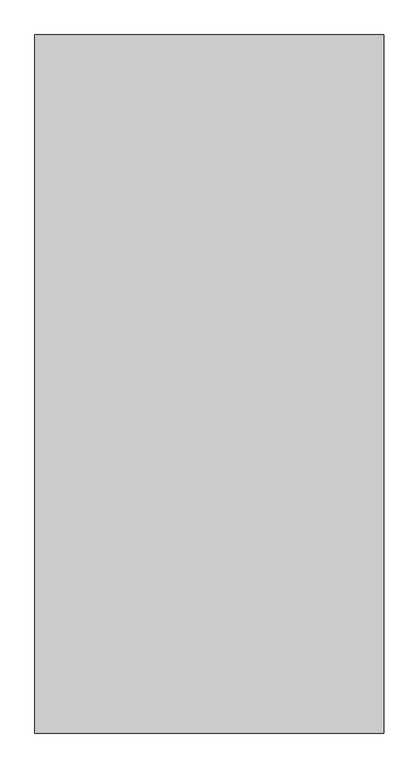
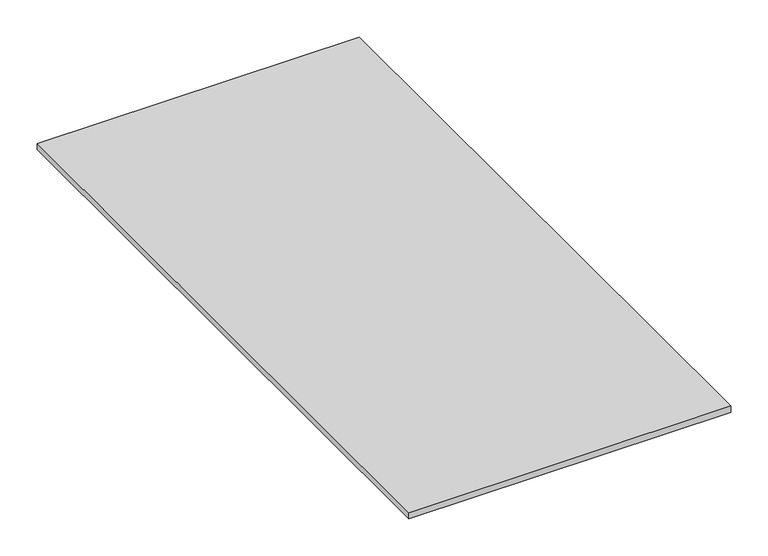
"""IFC4 building model written with IfcOpenShell, lengths in millimetres: proxy geometry."""

from ifc_helpers import new_model, si_unit, origin, origin_with_axes, place, context, project, spatial, polyline, outline, extrude, source, transform, mapped, element, save


def generic_models_36ebd737(model_context):
    return source(origin(), model_context, "Body", "SweptSolid", [
        extrude(outline(polyline([(-16829.2833082, 6947.1625159), (-16829.2833082, 5947.1625159), (-17329.2833082, 5947.1625159), (-17329.2833082, 6947.1625159), (-16829.2833082, 6947.1625159)])), origin_with_axes(), (0.0, 0.0, 1.0), 10.0),
    ])


if __name__ == "__main__":
    model = new_model("IFC4")
    model_context = context("Model", 3, world=origin())
    ifc_project = project(units=[si_unit("LENGTHUNIT", "METRE", prefix="MILLI")], contexts=[model_context])
    site = spatial("IfcSite", under=ifc_project)
    building = spatial("IfcBuilding", under=site)
    placement = place(None, origin())
    generic_models_shape = generic_models_36ebd737(model_context)
    element("IfcBuildingElementProxy", 1, Name="Generic Models", at=placement, inside=building, context=model_context, shape_type="MappedRepresentation", body=[
        mapped(generic_models_shape, transform((0.0, 0.0, 0.0), x_axis=(1.0, 0.0, 0.0), y_axis=(0.0, 1.0, 0.0), z_axis=(0.0, 0.0, 1.0))),
    ])
    save(model, "model.ifc")
